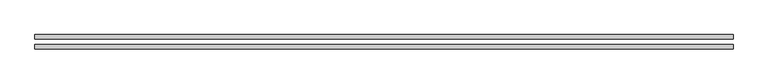
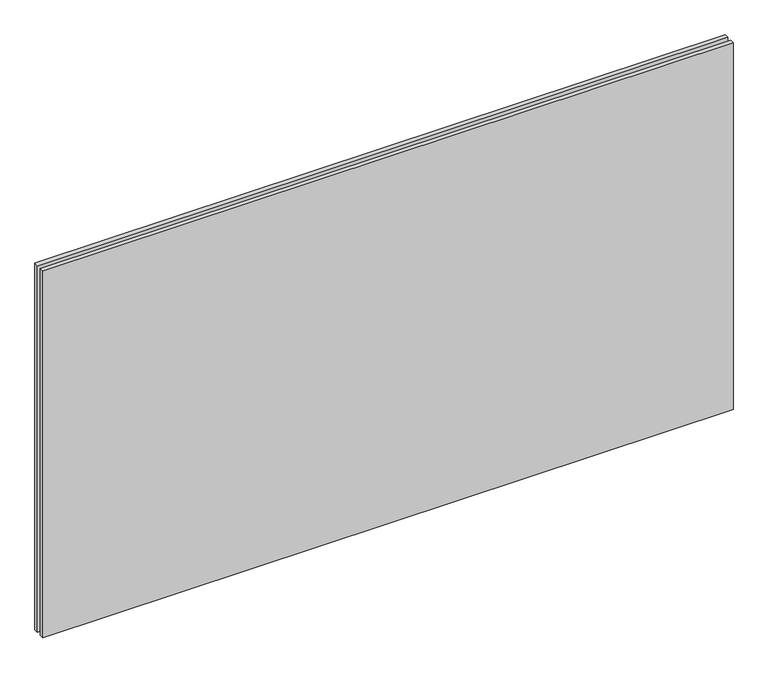
"""IFC4 building model written with IfcOpenShell, lengths in millimetres: plate geometry."""

import ifcopenshell
import ifcopenshell.guid

model = None  # the IFC model being written
_history = None  # IfcOwnerHistory: only IFC2X3 demands one
_inside = {}  # id of a spatial element -> (the spatial element, [elements in it])
_under = {}  # id of a project, library or spatial element -> (it, [spatial elements below it])
_declared = {}  # id of a project -> (the project, [libraries it declares])
_typed = {}  # id of a type object -> (the type object, [elements of that type])
_made_of = {}  # id of a material, layer set ... -> (it, [elements and type objects made of it])


def new_model(schema):
    """Start an empty IFC model of exactly this schema.

    Asked for "IFC4X3", IfcOpenShell would pick the latest addendum, in which some entities
    have other attributes; the version numbers below select the first issue.
    IFC2X3 requires an IfcOwnerHistory on every rooted entity: one is made here for all.
    """
    global model, _history
    if schema == "IFC4X3":
        model = ifcopenshell.file(schema_version=(4, 3, 0, 0))
    else:
        model = ifcopenshell.file(schema=schema)
    _inside.clear()
    _under.clear()
    _declared.clear()
    _typed.clear()
    _made_of.clear()
    _history = None
    if model.schema == "IFC2X3":
        org = make("IfcOrganization", Name="unknown")
        user = make(
            "IfcPersonAndOrganization",
            ThePerson=make("IfcPerson", FamilyName="unknown"),
            TheOrganization=org,
        )
        app = make(
            "IfcApplication",
            ApplicationDeveloper=org,
            Version="unknown",
            ApplicationFullName="unknown",
            ApplicationIdentifier="unknown",
        )
        _history = make(
            "IfcOwnerHistory",
            OwningUser=user,
            OwningApplication=app,
            ChangeAction="ADDED",
            CreationDate=0,
        )
    return model


def make(cls, **values):
    """One entity of the class cls with the attributes given. An attribute that is None is left unset."""
    return model.create_entity(
        cls, **{name: value for name, value in values.items() if value is not None}
    )


def rooted(cls, **values):
    """An entity with a GlobalId (a new one), such as an element, a storey or a relation."""
    return make(cls, GlobalId=ifcopenshell.guid.new(), OwnerHistory=_history, **values)


def si_unit(unit_type, name, prefix=None):
    """IfcSIUnit, for example si_unit("LENGTHUNIT", "METRE", prefix="MILLI")."""
    return make("IfcSIUnit", UnitType=unit_type, Prefix=prefix, Name=name)


def assignment(units):
    """IfcUnitAssignment: the units of a project."""
    return None if units is None else make("IfcUnitAssignment", Units=units)


def point(xyz):
    """IfcCartesianPoint."""
    return None if xyz is None else make("IfcCartesianPoint", Coordinates=xyz)


def direction(xyz):
    """IfcDirection."""
    return None if xyz is None else make("IfcDirection", DirectionRatios=xyz)


def frame(location, z_axis=None, x_axis=None):
    """IfcAxis2Placement3D, a coordinate frame: its origin and axes. An axis left out is left unset."""
    return make(
        "IfcAxis2Placement3D",
        Location=point(location),
        Axis=direction(z_axis),
        RefDirection=direction(x_axis),
    )


def origin():
    """The frame at (0, 0, 0) with its axes left unset."""
    return frame((0.0, 0.0, 0.0))


def origin_with_axes():
    """The frame at (0, 0, 0) with the z axis (0, 0, 1) and the x axis (1, 0, 0) written out."""
    return frame((0.0, 0.0, 0.0), z_axis=(0.0, 0.0, 1.0), x_axis=(1.0, 0.0, 0.0))


def place(relative_to, where):
    """IfcLocalPlacement: puts the frame where relative to a parent placement (None: the world)."""
    return make(
        "IfcLocalPlacement", PlacementRelTo=relative_to, RelativePlacement=where
    )


def context(
    kind, dimensions, precision=None, world=None, true_north=None, identifier=None
):
    """IfcGeometricRepresentationContext, for example the 3D "Model" context."""
    return make(
        "IfcGeometricRepresentationContext",
        ContextIdentifier=identifier,
        ContextType=kind,
        CoordinateSpaceDimension=dimensions,
        Precision=precision,
        WorldCoordinateSystem=world,
        TrueNorth=true_north,
    )


def project(units=None, contexts=None):
    """IfcProject with its units and contexts."""
    return rooted(
        "IfcProject",
        Name="project",
        RepresentationContexts=contexts,
        UnitsInContext=assignment(units),
    )


def spatial(cls, under=None, at=None, **own):
    """A site, building, storey or space (cls), placed at a placement, below another one or the project."""
    s = rooted(cls, ObjectPlacement=at, **own)
    if under is not None:
        _under.setdefault(under.id(), (under, []))[1].append(s)
    return s


def polyline(points):
    """IfcPolyline through the points."""
    return make("IfcPolyline", Points=[point(p) for p in points])


def outline(outer, holes=None, kind="AREA"):
    """IfcArbitraryClosedProfileDef: a profile drawn as a closed curve; with holes, ...WithVoids."""
    if holes is None:
        return make("IfcArbitraryClosedProfileDef", ProfileType=kind, OuterCurve=outer)
    return make(
        "IfcArbitraryProfileDefWithVoids",
        ProfileType=kind,
        OuterCurve=outer,
        InnerCurves=holes,
    )


def extrude(swept, where, along, depth):
    """IfcExtrudedAreaSolid: the profile swept, set in the frame where, extruded along a direction by depth."""
    return make(
        "IfcExtrudedAreaSolid",
        SweptArea=swept,
        Position=where,
        ExtrudedDirection=direction(along),
        Depth=depth,
    )


def shape(context_of_items, identifier, shape_type, items):
    """IfcShapeRepresentation: the items that make up one representation, for example the "Body"."""
    return make(
        "IfcShapeRepresentation",
        ContextOfItems=context_of_items,
        RepresentationIdentifier=identifier,
        RepresentationType=shape_type,
        Items=items,
    )


def source(mapping_origin, context_of_items, identifier, shape_type, items):
    """IfcRepresentationMap: a shape defined once, which mapped items show again and again."""
    return make(
        "IfcRepresentationMap",
        MappingOrigin=mapping_origin,
        MappedRepresentation=shape(context_of_items, identifier, shape_type, items),
    )


def transform(
    local_origin,
    x_axis=None,
    y_axis=None,
    z_axis=None,
    scale=None,
    scale2=None,
    scale3=None,
    uniform=True,
):
    """IfcCartesianTransformationOperator3D, or its non-uniform kind. x_axis, y_axis, z_axis: its Axis1, 2, 3."""
    if uniform:
        return make(
            "IfcCartesianTransformationOperator3D",
            Axis1=direction(x_axis),
            Axis2=direction(y_axis),
            LocalOrigin=point(local_origin),
            Scale=scale,
            Axis3=direction(z_axis),
        )
    return make(
        "IfcCartesianTransformationOperator3DnonUniform",
        Axis1=direction(x_axis),
        Axis2=direction(y_axis),
        LocalOrigin=point(local_origin),
        Scale=scale,
        Axis3=direction(z_axis),
        Scale2=scale2,
        Scale3=scale3,
    )


def mapped(mapping_source, mapping_target):
    """IfcMappedItem: shows the shape of a source again, moved by a transform."""
    return make(
        "IfcMappedItem", MappingSource=mapping_source, MappingTarget=mapping_target
    )


def made_of(thing, what):
    """Note that an element or type object is made of a material, layer set ...; save() writes the relation."""
    if what is not None:
        _made_of.setdefault(what.id(), (what, []))[1].append(thing)
    return thing


def element(
    cls,
    number,
    at=None,
    inside=None,
    cuts=None,
    type_object=None,
    material=None,
    context=None,
    identifier="Body",
    shape_type=None,
    held_by="IfcProductDefinitionShape",
    body=None,
    shapes=None,
    **own,
):
    """One element of the class cls, such as IfcWall. Its Tag is "e" and its number.

    at: its placement. inside: the storey or other place that contains it. cuts: it is an
    opening in that element (IfcRelVoidsElement). A single representation is given by context,
    identifier, shape_type and body (its items); several are given by shapes. held_by: the class
    of the entity that holds the representations. save() writes the other relations.
    """
    e = rooted(cls, Tag="e%d" % number, ObjectPlacement=at, **own)
    if body is not None:
        shapes = [shape(context, identifier, shape_type, body)]
    if shapes is not None:
        e.Representation = make(held_by, Representations=shapes)
    if inside is not None:
        _inside.setdefault(inside.id(), (inside, []))[1].append(e)
    if cuts is not None:
        rooted(
            "IfcRelVoidsElement", RelatingBuildingElement=cuts, RelatedOpeningElement=e
        )
    if type_object is not None:
        _typed.setdefault(type_object.id(), (type_object, []))[1].append(e)
    return made_of(e, material)


def aggregate(whole, parts):
    """IfcRelAggregates: a whole, such as a stair, and the parts it consists of."""
    return rooted("IfcRelAggregates", RelatingObject=whole, RelatedObjects=parts)


def save(model, path):
    """Write the relations noted so far, then the file.

    IfcRelAggregates (storeys below a building ...), IfcRelContainedInSpatialStructure (elements
    in a storey), IfcRelDefinesByType, IfcRelAssociatesMaterial and IfcRelDeclares: one each for
    every whole, place, type object, material and project.
    """
    for whole, parts in _under.values():
        aggregate(whole, parts)
    for where, things in _inside.values():
        rooted(
            "IfcRelContainedInSpatialStructure",
            RelatedElements=things,
            RelatingStructure=where,
        )
    for kind, things in _typed.values():
        rooted("IfcRelDefinesByType", RelatedObjects=things, RelatingType=kind)
    for what, things in _made_of.values():
        rooted("IfcRelAssociatesMaterial", RelatedObjects=things, RelatingMaterial=what)
    for by, libraries in _declared.values():
        rooted("IfcRelDeclares", RelatingContext=by, RelatedDefinitions=libraries)
    model.write(path)


def plate_69e2152c(model_context):
    return source(origin(), model_context, "Body", "SweptSolid", [
        extrude(outline(polyline([(616.65, -40.8), (-616.65, -40.8), (-616.65, -32.8), (616.65, -32.8), (616.65, -40.8)])), origin_with_axes(), (0.0, 0.0, 1.0), 693.2),
        extrude(outline(polyline([(616.65, -23.8), (-616.65, -23.8), (-616.65, -15.8), (616.65, -15.8), (616.65, -23.8)])), origin_with_axes(), (0.0, 0.0, 1.0), 693.2),
    ])


if __name__ == "__main__":
    model = new_model("IFC4")
    model_context = context("Model", 3, world=origin())
    ifc_project = project(units=[si_unit("LENGTHUNIT", "METRE", prefix="MILLI")], contexts=[model_context])
    site = spatial("IfcSite", under=ifc_project)
    building = spatial("IfcBuilding", under=site)
    placement = place(None, origin())
    plate_shape = plate_69e2152c(model_context)
    element("IfcPlate", 1, at=placement, inside=building, context=model_context, shape_type="MappedRepresentation", body=[
        mapped(plate_shape, transform((0.0, 0.0, 0.0), x_axis=(1.0, 0.0, 0.0), y_axis=(0.0, 1.0, 0.0), z_axis=(0.0, 0.0, 1.0))),
    ])
    save(model, "model.ifc")
